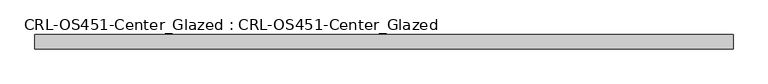
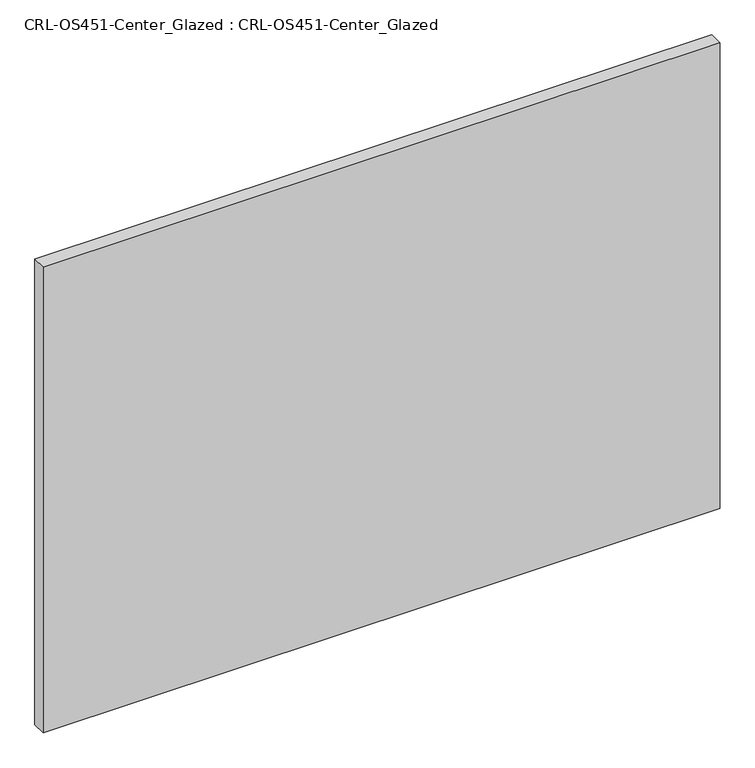
"""IFC4 building model written with IfcOpenShell, lengths in millimetres: plate geometry, CRL-OS451-Center_Glazed : CRL-OS451-Center_Glazed."""

from ifc_helpers import new_model, si_unit, origin, origin_with_axes, place, context, project, spatial, polyline, outline, extrude, source, transform, mapped, element, save


def crl_os451_center_glazed_crl_os451_center_glazed_5a68c120(model_context):
    return source(origin(), model_context, "Body", "SweptSolid", [
        extrude(outline(polyline([(-614.1578927, 12.709956), (614.1578927, 12.709956), (614.1578927, -12.709956), (-614.1578927, -12.709956), (-614.1578927, 12.709956)])), origin_with_axes(), (0.0, 0.0, 1.0), 893.4410342),
    ])


if __name__ == "__main__":
    model = new_model("IFC4")
    model_context = context("Model", 3, world=origin())
    ifc_project = project(units=[si_unit("LENGTHUNIT", "METRE", prefix="MILLI")], contexts=[model_context])
    site = spatial("IfcSite", under=ifc_project)
    building = spatial("IfcBuilding", under=site)
    placement = place(None, origin())
    crl_os451_center_glazed_crl_os451_center_glazed_shape = crl_os451_center_glazed_crl_os451_center_glazed_5a68c120(model_context)
    element("IfcPlate", 1, ObjectType="CRL-OS451-Center_Glazed : CRL-OS451-Center_Glazed", at=placement, inside=building, context=model_context, shape_type="MappedRepresentation", body=[
        mapped(crl_os451_center_glazed_crl_os451_center_glazed_shape, transform((0.0, 0.0, 0.0), x_axis=(1.0, 0.0, 0.0), y_axis=(0.0, 1.0, 0.0), z_axis=(0.0, 0.0, 1.0))),
    ])
    save(model, "model.ifc")
